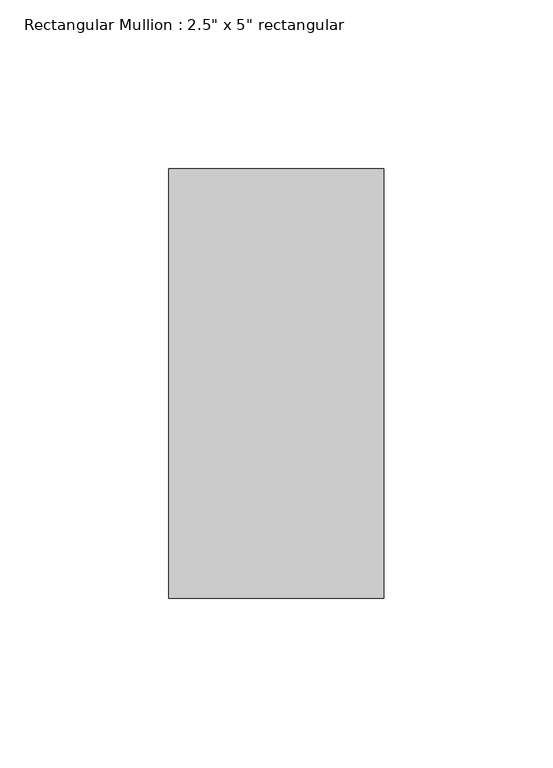
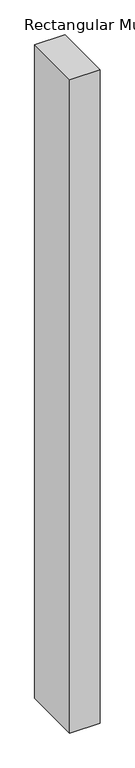
"""IFC4 building model written with IfcOpenShell, lengths in millimetres: member geometry."""

from ifc_helpers import new_model, si_unit, frame, origin, place, context, project, spatial, polyline, outline, extrude, source, transform, mapped, element, save


def member_fa1d96c5(model_context):
    return source(origin(), model_context, "Body", "SweptSolid", [
        extrude(outline(polyline([(31.75, 63.5), (31.75, -63.5), (-31.75, -63.5), (-31.75, 63.5), (31.75, 63.5)])), frame((0.0, 0.0, -1445.7), z_axis=(0.0, 0.0, 1.0), x_axis=(1.0, 0.0, 0.0)), (0.0, 0.0, 1.0), 1445.7),
    ])


if __name__ == "__main__":
    model = new_model("IFC4")
    model_context = context("Model", 3, world=origin())
    ifc_project = project(units=[si_unit("LENGTHUNIT", "METRE", prefix="MILLI")], contexts=[model_context])
    site = spatial("IfcSite", under=ifc_project)
    building = spatial("IfcBuilding", under=site)
    placement = place(None, origin())
    member_shape = member_fa1d96c5(model_context)
    element("IfcMember", 1, ObjectType="Rectangular Mullion : 2.5\" x 5\" rectangular", at=placement, inside=building, context=model_context, shape_type="MappedRepresentation", body=[
        mapped(member_shape, transform((0.0, 0.0, 0.0), x_axis=(1.0, 0.0, 0.0), y_axis=(0.0, 1.0, 0.0), z_axis=(0.0, 0.0, 1.0))),
    ])
    save(model, "model.ifc")
